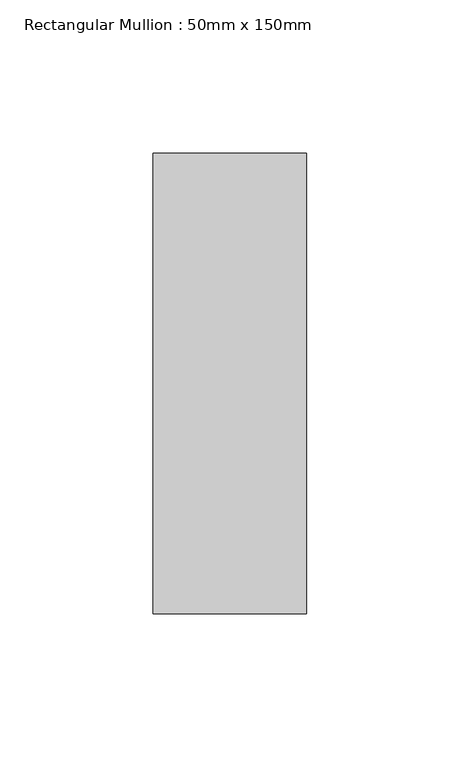
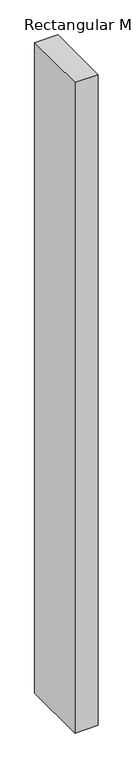
"""IFC4 building model written with IfcOpenShell, lengths in millimetres: member geometry, Rectangular Mullion : 50mm x 150mm."""

from ifc_helpers import new_model, si_unit, frame, origin, place, context, project, spatial, polyline, outline, extrude, source, transform, mapped, element, save


def rectangular_mullion_50mm_x_150mm_cee9c707(model_context):
    return source(origin(), model_context, "Body", "SweptSolid", [
        extrude(outline(polyline([(0.0, 75.0), (0.0, -75.0), (-50.0, -75.0), (-50.0, 75.0), (0.0, 75.0)])), frame((0.0, 0.0, -1485.7142856), z_axis=(0.0, 0.0, 1.0), x_axis=(1.0, 0.0, 0.0)), (0.0, 0.0, 1.0), 1485.7142856),
    ])


if __name__ == "__main__":
    model = new_model("IFC4")
    model_context = context("Model", 3, world=origin())
    ifc_project = project(units=[si_unit("LENGTHUNIT", "METRE", prefix="MILLI")], contexts=[model_context])
    site = spatial("IfcSite", under=ifc_project)
    building = spatial("IfcBuilding", under=site)
    placement = place(None, origin())
    rectangular_mullion_50mm_x_150mm_shape = rectangular_mullion_50mm_x_150mm_cee9c707(model_context)
    element("IfcMember", 1, ObjectType="Rectangular Mullion : 50mm x 150mm", at=placement, inside=building, context=model_context, shape_type="MappedRepresentation", body=[
        mapped(rectangular_mullion_50mm_x_150mm_shape, transform((0.0, 0.0, 0.0), x_axis=(1.0, 0.0, 0.0), y_axis=(0.0, 1.0, 0.0), z_axis=(0.0, 0.0, 1.0))),
    ])
    save(model, "model.ifc")
